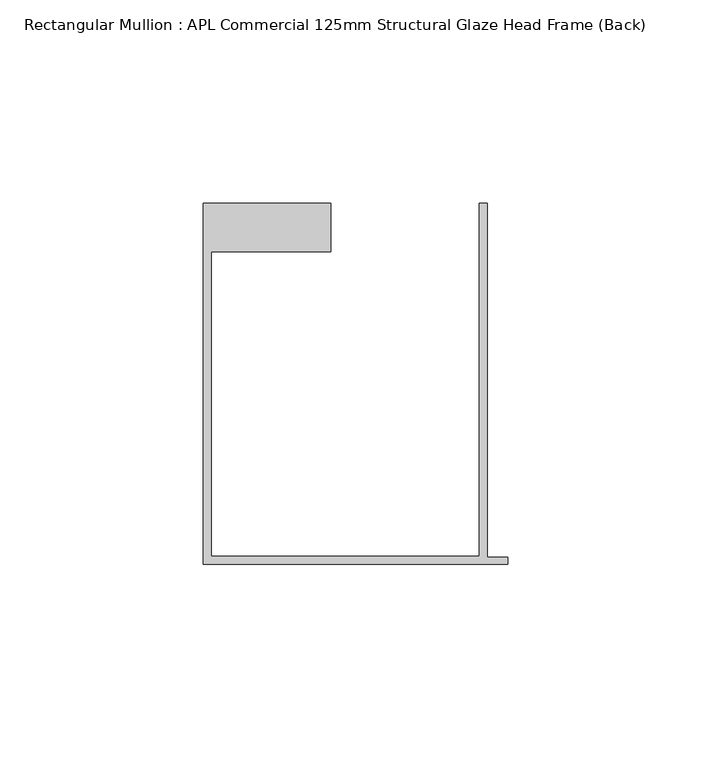
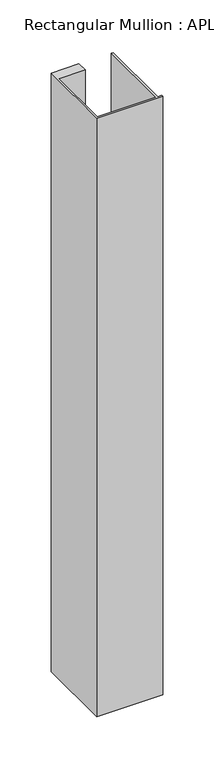
"""IFC4 building model written with IfcOpenShell, lengths in millimetres: member geometry, Rectangular Mullion : APL Commercial 125mm Structural Glaze Head Frame (Back)."""

import ifcopenshell
import ifcopenshell.guid

model = None  # the IFC model being written
_history = None  # IfcOwnerHistory: only IFC2X3 demands one
_inside = {}  # id of a spatial element -> (the spatial element, [elements in it])
_under = {}  # id of a project, library or spatial element -> (it, [spatial elements below it])
_declared = {}  # id of a project -> (the project, [libraries it declares])
_typed = {}  # id of a type object -> (the type object, [elements of that type])
_made_of = {}  # id of a material, layer set ... -> (it, [elements and type objects made of it])


def new_model(schema):
    """Start an empty IFC model of exactly this schema.

    Asked for "IFC4X3", IfcOpenShell would pick the latest addendum, in which some entities
    have other attributes; the version numbers below select the first issue.
    IFC2X3 requires an IfcOwnerHistory on every rooted entity: one is made here for all.
    """
    global model, _history
    if schema == "IFC4X3":
        model = ifcopenshell.file(schema_version=(4, 3, 0, 0))
    else:
        model = ifcopenshell.file(schema=schema)
    _inside.clear()
    _under.clear()
    _declared.clear()
    _typed.clear()
    _made_of.clear()
    _history = None
    if model.schema == "IFC2X3":
        org = make("IfcOrganization", Name="unknown")
        user = make(
            "IfcPersonAndOrganization",
            ThePerson=make("IfcPerson", FamilyName="unknown"),
            TheOrganization=org,
        )
        app = make(
            "IfcApplication",
            ApplicationDeveloper=org,
            Version="unknown",
            ApplicationFullName="unknown",
            ApplicationIdentifier="unknown",
        )
        _history = make(
            "IfcOwnerHistory",
            OwningUser=user,
            OwningApplication=app,
            ChangeAction="ADDED",
            CreationDate=0,
        )
    return model


def make(cls, **values):
    """One entity of the class cls with the attributes given. An attribute that is None is left unset."""
    return model.create_entity(
        cls, **{name: value for name, value in values.items() if value is not None}
    )


def rooted(cls, **values):
    """An entity with a GlobalId (a new one), such as an element, a storey or a relation."""
    return make(cls, GlobalId=ifcopenshell.guid.new(), OwnerHistory=_history, **values)


def si_unit(unit_type, name, prefix=None):
    """IfcSIUnit, for example si_unit("LENGTHUNIT", "METRE", prefix="MILLI")."""
    return make("IfcSIUnit", UnitType=unit_type, Prefix=prefix, Name=name)


def assignment(units):
    """IfcUnitAssignment: the units of a project."""
    return None if units is None else make("IfcUnitAssignment", Units=units)


def point(xyz):
    """IfcCartesianPoint."""
    return None if xyz is None else make("IfcCartesianPoint", Coordinates=xyz)


def direction(xyz):
    """IfcDirection."""
    return None if xyz is None else make("IfcDirection", DirectionRatios=xyz)


def frame(location, z_axis=None, x_axis=None):
    """IfcAxis2Placement3D, a coordinate frame: its origin and axes. An axis left out is left unset."""
    return make(
        "IfcAxis2Placement3D",
        Location=point(location),
        Axis=direction(z_axis),
        RefDirection=direction(x_axis),
    )


def origin():
    """The frame at (0, 0, 0) with its axes left unset."""
    return frame((0.0, 0.0, 0.0))


def place(relative_to, where):
    """IfcLocalPlacement: puts the frame where relative to a parent placement (None: the world)."""
    return make(
        "IfcLocalPlacement", PlacementRelTo=relative_to, RelativePlacement=where
    )


def context(
    kind, dimensions, precision=None, world=None, true_north=None, identifier=None
):
    """IfcGeometricRepresentationContext, for example the 3D "Model" context."""
    return make(
        "IfcGeometricRepresentationContext",
        ContextIdentifier=identifier,
        ContextType=kind,
        CoordinateSpaceDimension=dimensions,
        Precision=precision,
        WorldCoordinateSystem=world,
        TrueNorth=true_north,
    )


def project(units=None, contexts=None):
    """IfcProject with its units and contexts."""
    return rooted(
        "IfcProject",
        Name="project",
        RepresentationContexts=contexts,
        UnitsInContext=assignment(units),
    )


def spatial(cls, under=None, at=None, **own):
    """A site, building, storey or space (cls), placed at a placement, below another one or the project."""
    s = rooted(cls, ObjectPlacement=at, **own)
    if under is not None:
        _under.setdefault(under.id(), (under, []))[1].append(s)
    return s


def polyline(points):
    """IfcPolyline through the points."""
    return make("IfcPolyline", Points=[point(p) for p in points])


def outline(outer, holes=None, kind="AREA"):
    """IfcArbitraryClosedProfileDef: a profile drawn as a closed curve; with holes, ...WithVoids."""
    if holes is None:
        return make("IfcArbitraryClosedProfileDef", ProfileType=kind, OuterCurve=outer)
    return make(
        "IfcArbitraryProfileDefWithVoids",
        ProfileType=kind,
        OuterCurve=outer,
        InnerCurves=holes,
    )


def extrude(swept, where, along, depth):
    """IfcExtrudedAreaSolid: the profile swept, set in the frame where, extruded along a direction by depth."""
    return make(
        "IfcExtrudedAreaSolid",
        SweptArea=swept,
        Position=where,
        ExtrudedDirection=direction(along),
        Depth=depth,
    )


def shape(context_of_items, identifier, shape_type, items):
    """IfcShapeRepresentation: the items that make up one representation, for example the "Body"."""
    return make(
        "IfcShapeRepresentation",
        ContextOfItems=context_of_items,
        RepresentationIdentifier=identifier,
        RepresentationType=shape_type,
        Items=items,
    )


def source(mapping_origin, context_of_items, identifier, shape_type, items):
    """IfcRepresentationMap: a shape defined once, which mapped items show again and again."""
    return make(
        "IfcRepresentationMap",
        MappingOrigin=mapping_origin,
        MappedRepresentation=shape(context_of_items, identifier, shape_type, items),
    )


def transform(
    local_origin,
    x_axis=None,
    y_axis=None,
    z_axis=None,
    scale=None,
    scale2=None,
    scale3=None,
    uniform=True,
):
    """IfcCartesianTransformationOperator3D, or its non-uniform kind. x_axis, y_axis, z_axis: its Axis1, 2, 3."""
    if uniform:
        return make(
            "IfcCartesianTransformationOperator3D",
            Axis1=direction(x_axis),
            Axis2=direction(y_axis),
            LocalOrigin=point(local_origin),
            Scale=scale,
            Axis3=direction(z_axis),
        )
    return make(
        "IfcCartesianTransformationOperator3DnonUniform",
        Axis1=direction(x_axis),
        Axis2=direction(y_axis),
        LocalOrigin=point(local_origin),
        Scale=scale,
        Axis3=direction(z_axis),
        Scale2=scale2,
        Scale3=scale3,
    )


def mapped(mapping_source, mapping_target):
    """IfcMappedItem: shows the shape of a source again, moved by a transform."""
    return make(
        "IfcMappedItem", MappingSource=mapping_source, MappingTarget=mapping_target
    )


def made_of(thing, what):
    """Note that an element or type object is made of a material, layer set ...; save() writes the relation."""
    if what is not None:
        _made_of.setdefault(what.id(), (what, []))[1].append(thing)
    return thing


def element(
    cls,
    number,
    at=None,
    inside=None,
    cuts=None,
    type_object=None,
    material=None,
    context=None,
    identifier="Body",
    shape_type=None,
    held_by="IfcProductDefinitionShape",
    body=None,
    shapes=None,
    **own,
):
    """One element of the class cls, such as IfcWall. Its Tag is "e" and its number.

    at: its placement. inside: the storey or other place that contains it. cuts: it is an
    opening in that element (IfcRelVoidsElement). A single representation is given by context,
    identifier, shape_type and body (its items); several are given by shapes. held_by: the class
    of the entity that holds the representations. save() writes the other relations.
    """
    e = rooted(cls, Tag="e%d" % number, ObjectPlacement=at, **own)
    if body is not None:
        shapes = [shape(context, identifier, shape_type, body)]
    if shapes is not None:
        e.Representation = make(held_by, Representations=shapes)
    if inside is not None:
        _inside.setdefault(inside.id(), (inside, []))[1].append(e)
    if cuts is not None:
        rooted(
            "IfcRelVoidsElement", RelatingBuildingElement=cuts, RelatedOpeningElement=e
        )
    if type_object is not None:
        _typed.setdefault(type_object.id(), (type_object, []))[1].append(e)
    return made_of(e, material)


def aggregate(whole, parts):
    """IfcRelAggregates: a whole, such as a stair, and the parts it consists of."""
    return rooted("IfcRelAggregates", RelatingObject=whole, RelatedObjects=parts)


def save(model, path):
    """Write the relations noted so far, then the file.

    IfcRelAggregates (storeys below a building ...), IfcRelContainedInSpatialStructure (elements
    in a storey), IfcRelDefinesByType, IfcRelAssociatesMaterial and IfcRelDeclares: one each for
    every whole, place, type object, material and project.
    """
    for whole, parts in _under.values():
        aggregate(whole, parts)
    for where, things in _inside.values():
        rooted(
            "IfcRelContainedInSpatialStructure",
            RelatedElements=things,
            RelatingStructure=where,
        )
    for kind, things in _typed.values():
        rooted("IfcRelDefinesByType", RelatedObjects=things, RelatingType=kind)
    for what, things in _made_of.values():
        rooted("IfcRelAssociatesMaterial", RelatedObjects=things, RelatingMaterial=what)
    for by, libraries in _declared.values():
        rooted("IfcRelDeclares", RelatingContext=by, RelatedDefinitions=libraries)
    model.write(path)


def rectangular_mullion_apl_commercial_125mm_structural_glaze_454f3a1f(model_context):
    return source(origin(), model_context, "Body", "SweptSolid", [
        extrude(outline(polyline([(-75.0, -103.9993063), (-75.0, -14.9998342), (-43.5000151, -14.9998342), (-43.5000151, -26.9997514), (-73.0, -26.9997514), (-73.0, -101.9993063), (-7.0, -101.9993063), (-7.0, -14.9998342), (-5.0, -14.9998342), (-5.0, -102.1993063), (0.0, -102.1993063), (0.0, -103.9993063), (-75.0, -103.9993063)])), frame((0.0, 0.0, -715.3626887), z_axis=(0.0, 0.0, 1.0), x_axis=(1.0, 0.0, 0.0)), (0.0, 0.0, 1.0), 715.3626887),
    ])


if __name__ == "__main__":
    model = new_model("IFC4")
    model_context = context("Model", 3, world=origin())
    ifc_project = project(units=[si_unit("LENGTHUNIT", "METRE", prefix="MILLI")], contexts=[model_context])
    site = spatial("IfcSite", under=ifc_project)
    building = spatial("IfcBuilding", under=site)
    placement = place(None, origin())
    rectangular_mullion_apl_commercial_125mm_structural_glaze_shape = rectangular_mullion_apl_commercial_125mm_structural_glaze_454f3a1f(model_context)
    element("IfcMember", 1, ObjectType="Rectangular Mullion : APL Commercial 125mm Structural Glaze Head Frame (Back)", at=placement, inside=building, context=model_context, shape_type="MappedRepresentation", body=[
        mapped(rectangular_mullion_apl_commercial_125mm_structural_glaze_shape, transform((0.0, 0.0, 0.0), x_axis=(1.0, 0.0, 0.0), y_axis=(0.0, 1.0, 0.0), z_axis=(0.0, 0.0, 1.0))),
    ])
    save(model, "model.ifc")
